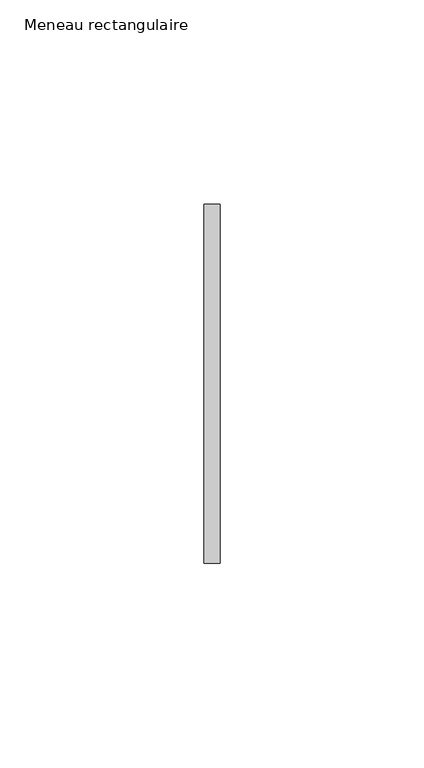
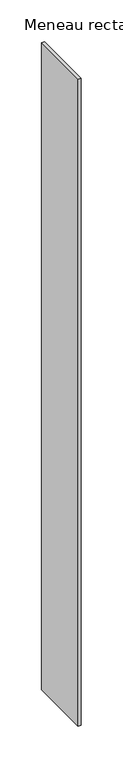
"""IFC4 building model written with IfcOpenShell, lengths in millimetres: member geometry, Meneau rectangulaire."""

from ifc_helpers import new_model, si_unit, frame, origin, place, context, project, spatial, polyline, outline, extrude, source, transform, mapped, element, save


def meneau_rectangulaire_f4d7518a(model_context):
    return source(origin(), model_context, "Body", "SweptSolid", [
        extrude(outline(polyline([(-2.0, 44.0), (2.0, 44.0), (2.0, -44.0), (-2.0, -44.0), (-2.0, 44.0)])), frame((0.0, 0.0, -946.5), z_axis=(0.0, 0.0, 1.0), x_axis=(1.0, 0.0, 0.0)), (0.0, 0.0, 1.0), 946.5),
    ])


if __name__ == "__main__":
    model = new_model("IFC4")
    model_context = context("Model", 3, world=origin())
    ifc_project = project(units=[si_unit("LENGTHUNIT", "METRE", prefix="MILLI")], contexts=[model_context])
    site = spatial("IfcSite", under=ifc_project)
    building = spatial("IfcBuilding", under=site)
    placement = place(None, origin())
    meneau_rectangulaire_shape = meneau_rectangulaire_f4d7518a(model_context)
    element("IfcMember", 1, ObjectType="Meneau rectangulaire", at=placement, inside=building, context=model_context, shape_type="MappedRepresentation", body=[
        mapped(meneau_rectangulaire_shape, transform((0.0, 0.0, 0.0), x_axis=(1.0, 0.0, 0.0), y_axis=(0.0, 1.0, 0.0), z_axis=(0.0, 0.0, 1.0))),
    ])
    save(model, "model.ifc")
